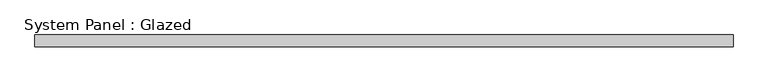
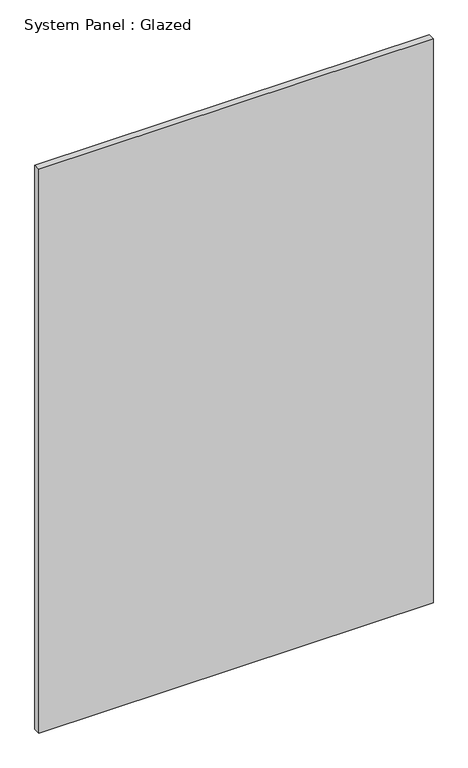
"""IFC4 building model written with IfcOpenShell, lengths in millimetres: plate geometry, System Panel : Glazed."""

from ifc_helpers import new_model, si_unit, origin, origin_with_axes, place, context, project, spatial, polyline, outline, extrude, source, transform, mapped, element, save


def system_panel_glazed_3567bb84(model_context):
    return source(origin(), model_context, "Body", "SweptSolid", [
        extrude(outline(polyline([(744.2501096, 24.5), (-744.2501096, 24.5), (-744.2501096, 49.5), (744.2501096, 49.5), (744.2501096, 24.5)])), origin_with_axes(), (0.0, 0.0, 1.0), 2250.0),
    ])


if __name__ == "__main__":
    model = new_model("IFC4")
    model_context = context("Model", 3, world=origin())
    ifc_project = project(units=[si_unit("LENGTHUNIT", "METRE", prefix="MILLI")], contexts=[model_context])
    site = spatial("IfcSite", under=ifc_project)
    building = spatial("IfcBuilding", under=site)
    placement = place(None, origin())
    system_panel_glazed_shape = system_panel_glazed_3567bb84(model_context)
    element("IfcPlate", 1, ObjectType="System Panel : Glazed", at=placement, inside=building, context=model_context, shape_type="MappedRepresentation", body=[
        mapped(system_panel_glazed_shape, transform((0.0, 0.0, 0.0), x_axis=(1.0, 0.0, 0.0), y_axis=(0.0, 1.0, 0.0), z_axis=(0.0, 0.0, 1.0))),
    ])
    save(model, "model.ifc")
